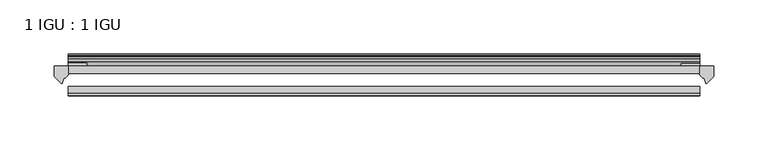
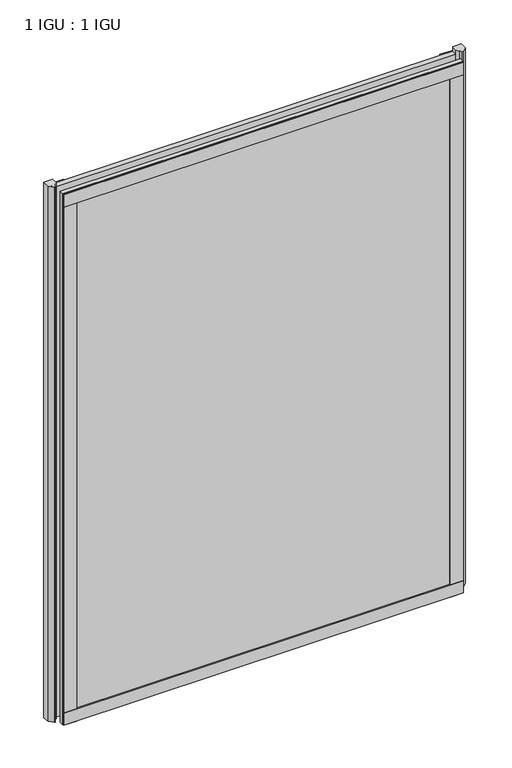
"""IFC4 building model written with IfcOpenShell, lengths in millimetres: plate geometry, 1 IGU : 1 IGU."""

from ifc_helpers import new_model, si_unit, point, frame, frame_2d, origin, place, context, project, spatial, polyline, circle_curve, trimmed, segment, composite_curve, outline, extrude, source, transform, mapped, element, save


def plate_1_igu_1_igu_2784a2e7(model_context):
    return source(origin(), model_context, "Body", "SweptSolid", [
        extrude(outline(polyline([(292.1, -11.6085937), (292.1, -18.8576359), (-292.1, -18.8576359), (-292.1, -11.6085937), (292.1, -11.6085937)])), frame((0.0, 0.0, -19.05), z_axis=(0.0, 0.0, 1.0), x_axis=(1.0, 0.0, 0.0)), (0.0, 0.0, 1.0), 819.1500001),
        extrude(outline(polyline([(-292.1, -30.7093937), (292.1, -30.7093937), (292.1, -37.0085937), (-292.1, -37.0085937), (-292.1, -30.7093937)])), frame((0.0, 0.0, -19.05), z_axis=(0.0, 0.0, 1.0), x_axis=(1.0, 0.0, 0.0)), (0.0, 0.0, 1.0), 819.1500001),
        extrude(outline(composite_curve([segment(polyline([(305.1779091, -11.6101465), (304.8, -21.3502133), (298.8619467, -27.6095865)]), True, "CONTINUOUS"), segment(trimmed(circle_curve(frame_2d((298.1891407, -27.2518492)), 0.762), [point((298.8619467, -27.6095865))], [point((297.4604364, -27.4746364))], False, "CARTESIAN"), True, "CONTINUOUS"), segment(polyline([(297.4604364, -27.4746364), (296.1986019, -23.3488397)]), True, "CONTINUOUS"), segment(trimmed(circle_curve(frame_2d((298.380559, -16.3834724)), 7.2991286), [point((296.1986019, -23.3488397))], [point((292.1001786, -20.1028944))], False, "CARTESIAN"), True, "CONTINUOUS"), segment(polyline([(292.1001786, -20.1028944), (292.1001786, -12.664425)]), True, "CONTINUOUS"), segment(trimmed(circle_curve(frame_2d((298.3814331, -16.3827796)), 7.2993369), [point((292.1001786, -12.664425))], [point((292.858545, -11.6101465))], False, "CARTESIAN"), True, "CONTINUOUS"), segment(polyline([(292.858545, -11.6101465), (305.1779091, -11.6101465)]), True, "CONTINUOUS")], self_intersect=False)), frame((0.0, 0.0, -19.05), z_axis=(0.0, 0.0, 1.0), x_axis=(1.0, 0.0, 0.0)), (0.0, 0.0, 1.0), 826.2874001),
        extrude(outline(composite_curve([segment(polyline([(-292.1, -11.610702), (-292.1, -20.1014769)]), True, "CONTINUOUS"), segment(trimmed(circle_curve(frame_2d((-298.3811943, -16.3829847)), 7.2993552), [point((-292.1, -20.1014769))], [point((-296.1989498, -23.3484994))], False, "CARTESIAN"), True, "CONTINUOUS"), segment(polyline([(-296.1989498, -23.3484994), (-297.4604364, -27.4746364)]), True, "CONTINUOUS"), segment(trimmed(circle_curve(frame_2d((-298.1891407, -27.2518492)), 0.762), [point((-297.4604364, -27.4746364))], [point((-298.8619467, -27.6095865))], False, "CARTESIAN"), True, "CONTINUOUS"), segment(polyline([(-298.8619467, -27.6095865), (-304.8, -21.3502133), (-305.1779091, -11.610702), (-292.1, -11.610702)]), True, "CONTINUOUS")], self_intersect=False)), frame((0.0, 0.0, -19.05), z_axis=(0.0, 0.0, 1.0), x_axis=(1.0, 0.0, 0.0)), (0.0, 0.0, 1.0), 826.2874001),
        extrude(outline(polyline([(-11.6085937, -15.24), (-11.6085937, 2.8161565), (-0.5298609, 1.2591422), (-0.5298609, -0.6645794), (-5.258589, 0.0), (-5.258589, -4.826), (-1.575589, -4.826), (-1.575589, -7.874), (-5.258589, -7.874), (-5.258589, -13.208), (-3.099589, -13.208), (-3.099589, -15.24), (-11.6085937, -15.24)])), frame((-292.1, 0.0, 0.0), z_axis=(1.0, 0.0, 0.0), x_axis=(0.0, 1.0, 0.0)), (0.0, 0.0, 1.0), 584.2),
        extrude(outline(polyline([(-292.1, -39.2945937), (-292.1, -37.0085937), (292.1, -37.0085937), (292.1, -39.2945937), (-292.1, -39.2945937)])), frame((0.0, 0.0, -19.05), z_axis=(0.0, 0.0, 1.0), x_axis=(1.0, 0.0, 0.0)), (0.0, 0.0, 1.0), 19.05),
        extrude(outline(composite_curve([segment(trimmed(circle_curve(frame_2d((-6.5285937, 792.521876)), 1.27), [point((-7.4547667, 793.390843))], [point((-5.2585937, 792.521876))], False, "CARTESIAN"), True, "CONTINUOUS"), segment(polyline([(-5.2585937, 792.521876), (-5.2585937, 789.3050001), (-3.3544944, 786.6297863), (-5.2585937, 786.284551), (-5.2585937, 781.0500001), (-2.385052, 781.0500001)]), True, "CONTINUOUS"), segment(trimmed(circle_curve(frame_2d((-3.2589487, 780.5317718)), 1.016), [point((-2.385052, 781.0500001))], [point((-3.236916, 779.5160107))], False, "CARTESIAN"), True, "CONTINUOUS"), segment(trimmed(circle_curve(frame_2d((-2.5575611, 748.1961025)), 31.3272753), [point((-3.236916, 779.5160107))], [point((-11.6085937, 778.1873843))], True, "CARTESIAN"), True, "CONTINUOUS"), segment(polyline([(-11.6085937, 778.1873843), (-11.6085937, 788.9635609), (-7.4547667, 793.390843)]), True, "CONTINUOUS")], self_intersect=False)), frame((-292.1, 0.0, 0.0), z_axis=(1.0, 0.0, 0.0), x_axis=(0.0, 1.0, 0.0)), (0.0, 0.0, 1.0), 584.2),
        extrude(outline(polyline([(-292.1, -39.2945937), (-292.1, -37.0085937), (292.1, -37.0085937), (292.1, -39.2945937), (-292.1, -39.2945937)])), frame((0.0, 0.0, 781.0500001), z_axis=(0.0, 0.0, 1.0), x_axis=(1.0, 0.0, 0.0)), (0.0, 0.0, 1.0), 19.05),
        extrude(outline(polyline([(273.05, -37.0085937), (292.1, -37.0085937), (292.1, -39.2945938), (273.05, -39.2945938), (273.05, -37.0085937)])), frame((0.0, 0.0, -19.05), z_axis=(0.0, 0.0, 1.0), x_axis=(1.0, 0.0, 0.0)), (0.0, 0.0, 1.0), 819.1500001),
        extrude(outline(polyline([(292.1, -9.3247196), (292.1, -11.6085937), (275.0185, -11.6085937), (275.0185, -9.3247196), (292.1, -9.3247196)])), frame((0.0, 0.0, -19.05), z_axis=(0.0, 0.0, 1.0), x_axis=(1.0, 0.0, 0.0)), (0.0, 0.0, 1.0), 819.1500001),
        extrude(outline(polyline([(-292.1, -39.2945937), (-292.1, -37.0085937), (-273.05, -37.0085937), (-273.05, -39.2945937), (-292.1, -39.2945937)])), frame((0.0, 0.0, -19.05), z_axis=(0.0, 0.0, 1.0), x_axis=(1.0, 0.0, 0.0)), (0.0, 0.0, 1.0), 819.1500001),
        extrude(outline(polyline([(-292.1, -11.6107196), (-292.1, -9.2273437), (-275.0185, -9.2273437), (-275.0185, -11.6107196), (-292.1, -11.6107196)])), frame((0.0, 0.0, -19.05), z_axis=(0.0, 0.0, 1.0), x_axis=(1.0, 0.0, 0.0)), (0.0, 0.0, 1.0), 819.1500001),
    ])


if __name__ == "__main__":
    model = new_model("IFC4")
    model_context = context("Model", 3, world=origin())
    ifc_project = project(units=[si_unit("LENGTHUNIT", "METRE", prefix="MILLI")], contexts=[model_context])
    site = spatial("IfcSite", under=ifc_project)
    building = spatial("IfcBuilding", under=site)
    placement = place(None, origin())
    plate_1_igu_1_igu_shape = plate_1_igu_1_igu_2784a2e7(model_context)
    element("IfcPlate", 1, ObjectType="1 IGU : 1 IGU", at=placement, inside=building, context=model_context, shape_type="MappedRepresentation", body=[
        mapped(plate_1_igu_1_igu_shape, transform((0.0, 0.0, 0.0), x_axis=(1.0, 0.0, 0.0), y_axis=(0.0, 1.0, 0.0), z_axis=(0.0, 0.0, 1.0))),
    ])
    save(model, "model.ifc")
